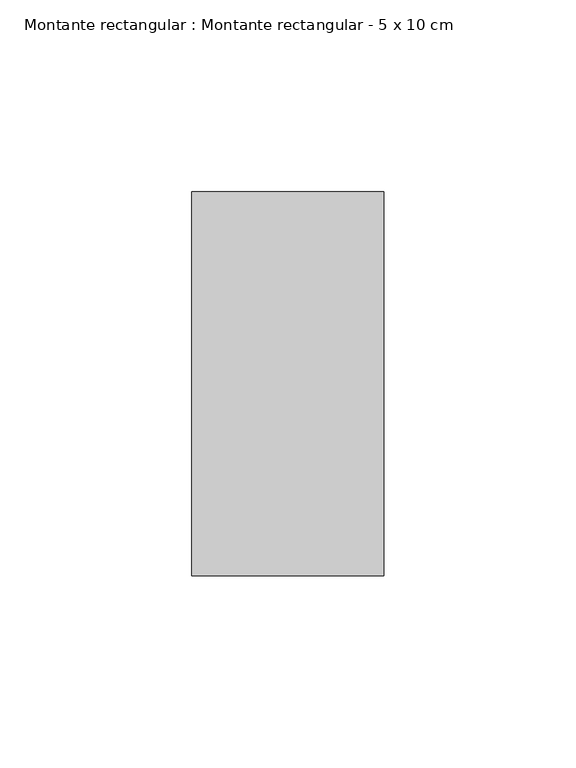
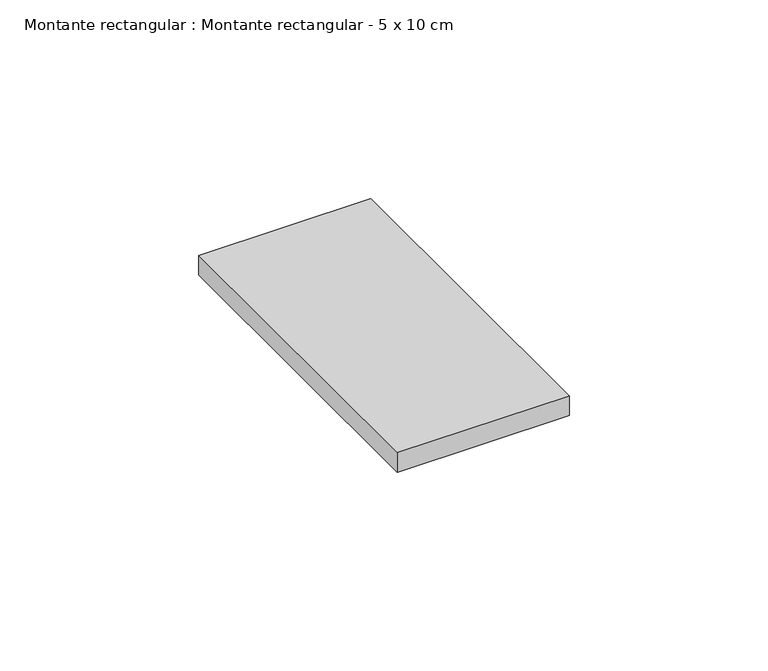
"""IFC4 building model written with IfcOpenShell, lengths in millimetres: member geometry, Montante rectangular : Montante rectangular - 5 x 10 cm."""

from ifc_helpers import new_model, si_unit, frame, origin, place, context, project, spatial, polyline, outline, extrude, source, transform, mapped, element, save


def montante_rectangular_montante_rectangular_5_x_10_cm_9866f9b8(model_context):
    return source(origin(), model_context, "Body", "SweptSolid", [
        extrude(outline(polyline([(-50.0, 50.0), (0.0, 50.0), (0.0, -50.0), (-50.0, -50.0), (-50.0, 50.0)])), frame((0.0, 0.0, -6.0), z_axis=(0.0, 0.0, 1.0), x_axis=(1.0, 0.0, 0.0)), (0.0, 0.0, 1.0), 6.0),
    ])


if __name__ == "__main__":
    model = new_model("IFC4")
    model_context = context("Model", 3, world=origin())
    ifc_project = project(units=[si_unit("LENGTHUNIT", "METRE", prefix="MILLI")], contexts=[model_context])
    site = spatial("IfcSite", under=ifc_project)
    building = spatial("IfcBuilding", under=site)
    placement = place(None, origin())
    montante_rectangular_montante_rectangular_5_x_10_cm_shape = montante_rectangular_montante_rectangular_5_x_10_cm_9866f9b8(model_context)
    element("IfcMember", 1, ObjectType="Montante rectangular : Montante rectangular - 5 x 10 cm", at=placement, inside=building, context=model_context, shape_type="MappedRepresentation", body=[
        mapped(montante_rectangular_montante_rectangular_5_x_10_cm_shape, transform((0.0, 0.0, 0.0), x_axis=(1.0, 0.0, 0.0), y_axis=(0.0, 1.0, 0.0), z_axis=(0.0, 0.0, 1.0))),
    ])
    save(model, "model.ifc")
